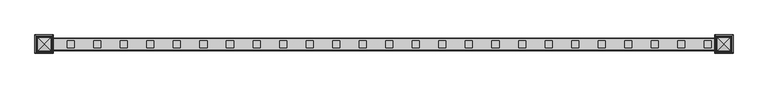
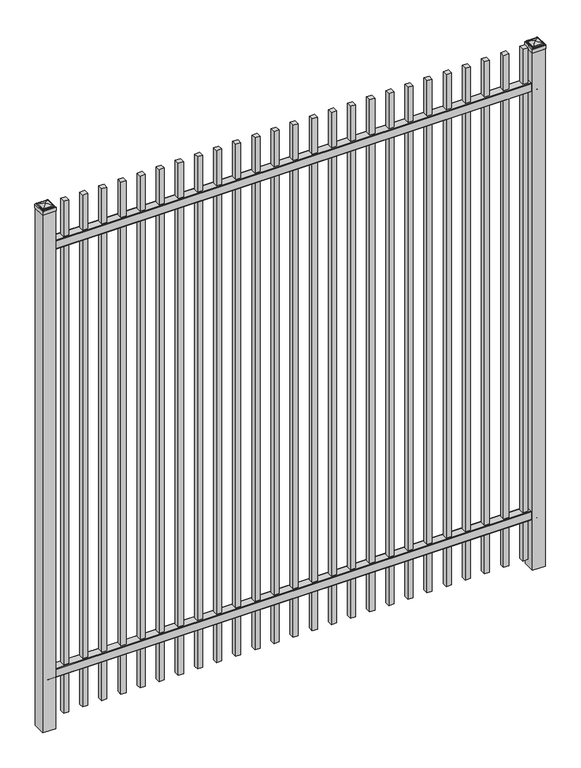
"""IFC4 building model written with IfcOpenShell, lengths in millimetres: railing geometry."""

import ifcopenshell
import ifcopenshell.guid

model = None  # the IFC model being written
_history = None  # IfcOwnerHistory: only IFC2X3 demands one
_inside = {}  # id of a spatial element -> (the spatial element, [elements in it])
_under = {}  # id of a project, library or spatial element -> (it, [spatial elements below it])
_declared = {}  # id of a project -> (the project, [libraries it declares])
_typed = {}  # id of a type object -> (the type object, [elements of that type])
_made_of = {}  # id of a material, layer set ... -> (it, [elements and type objects made of it])


def new_model(schema):
    """Start an empty IFC model of exactly this schema.

    Asked for "IFC4X3", IfcOpenShell would pick the latest addendum, in which some entities
    have other attributes; the version numbers below select the first issue.
    IFC2X3 requires an IfcOwnerHistory on every rooted entity: one is made here for all.
    """
    global model, _history
    if schema == "IFC4X3":
        model = ifcopenshell.file(schema_version=(4, 3, 0, 0))
    else:
        model = ifcopenshell.file(schema=schema)
    _inside.clear()
    _under.clear()
    _declared.clear()
    _typed.clear()
    _made_of.clear()
    _history = None
    if model.schema == "IFC2X3":
        org = make("IfcOrganization", Name="unknown")
        user = make(
            "IfcPersonAndOrganization",
            ThePerson=make("IfcPerson", FamilyName="unknown"),
            TheOrganization=org,
        )
        app = make(
            "IfcApplication",
            ApplicationDeveloper=org,
            Version="unknown",
            ApplicationFullName="unknown",
            ApplicationIdentifier="unknown",
        )
        _history = make(
            "IfcOwnerHistory",
            OwningUser=user,
            OwningApplication=app,
            ChangeAction="ADDED",
            CreationDate=0,
        )
    return model


def make(cls, **values):
    """One entity of the class cls with the attributes given. An attribute that is None is left unset."""
    return model.create_entity(
        cls, **{name: value for name, value in values.items() if value is not None}
    )


def rooted(cls, **values):
    """An entity with a GlobalId (a new one), such as an element, a storey or a relation."""
    return make(cls, GlobalId=ifcopenshell.guid.new(), OwnerHistory=_history, **values)


def si_unit(unit_type, name, prefix=None):
    """IfcSIUnit, for example si_unit("LENGTHUNIT", "METRE", prefix="MILLI")."""
    return make("IfcSIUnit", UnitType=unit_type, Prefix=prefix, Name=name)


def assignment(units):
    """IfcUnitAssignment: the units of a project."""
    return None if units is None else make("IfcUnitAssignment", Units=units)


def point(xyz):
    """IfcCartesianPoint."""
    return None if xyz is None else make("IfcCartesianPoint", Coordinates=xyz)


def direction(xyz):
    """IfcDirection."""
    return None if xyz is None else make("IfcDirection", DirectionRatios=xyz)


def frame(location, z_axis=None, x_axis=None):
    """IfcAxis2Placement3D, a coordinate frame: its origin and axes. An axis left out is left unset."""
    return make(
        "IfcAxis2Placement3D",
        Location=point(location),
        Axis=direction(z_axis),
        RefDirection=direction(x_axis),
    )


def frame_2d(location, x_axis=None):
    """IfcAxis2Placement2D, a coordinate frame in the plane: its origin and x axis."""
    return make(
        "IfcAxis2Placement2D", Location=point(location), RefDirection=direction(x_axis)
    )


def origin():
    """The frame at (0, 0, 0) with its axes left unset."""
    return frame((0.0, 0.0, 0.0))


def origin_with_axes():
    """The frame at (0, 0, 0) with the z axis (0, 0, 1) and the x axis (1, 0, 0) written out."""
    return frame((0.0, 0.0, 0.0), z_axis=(0.0, 0.0, 1.0), x_axis=(1.0, 0.0, 0.0))


def place(relative_to, where):
    """IfcLocalPlacement: puts the frame where relative to a parent placement (None: the world)."""
    return make(
        "IfcLocalPlacement", PlacementRelTo=relative_to, RelativePlacement=where
    )


def context(
    kind, dimensions, precision=None, world=None, true_north=None, identifier=None
):
    """IfcGeometricRepresentationContext, for example the 3D "Model" context."""
    return make(
        "IfcGeometricRepresentationContext",
        ContextIdentifier=identifier,
        ContextType=kind,
        CoordinateSpaceDimension=dimensions,
        Precision=precision,
        WorldCoordinateSystem=world,
        TrueNorth=true_north,
    )


def project(units=None, contexts=None):
    """IfcProject with its units and contexts."""
    return rooted(
        "IfcProject",
        Name="project",
        RepresentationContexts=contexts,
        UnitsInContext=assignment(units),
    )


def spatial(cls, under=None, at=None, **own):
    """A site, building, storey or space (cls), placed at a placement, below another one or the project."""
    s = rooted(cls, ObjectPlacement=at, **own)
    if under is not None:
        _under.setdefault(under.id(), (under, []))[1].append(s)
    return s


def polyline(points):
    """IfcPolyline through the points."""
    return make("IfcPolyline", Points=[point(p) for p in points])


def circle_curve(where, radius):
    """IfcCircle in the frame where."""
    return make("IfcCircle", Position=where, Radius=radius)


def ellipse_curve(where, semi_axis1, semi_axis2):
    """IfcEllipse in the frame where."""
    return make(
        "IfcEllipse", Position=where, SemiAxis1=semi_axis1, SemiAxis2=semi_axis2
    )


def trimmed(basis, trim1, trim2, sense, master):
    """IfcTrimmedCurve: the piece of a basis curve between two trims."""
    return make(
        "IfcTrimmedCurve",
        BasisCurve=basis,
        Trim1=trim1,
        Trim2=trim2,
        SenseAgreement=sense,
        MasterRepresentation=master,
    )


def segment(curve, same_sense, transition):
    """IfcCompositeCurveSegment."""
    return make(
        "IfcCompositeCurveSegment",
        Transition=transition,
        SameSense=same_sense,
        ParentCurve=curve,
    )


def composite_curve(segments, self_intersect=None):
    """IfcCompositeCurve: segments joined end to end."""
    return make("IfcCompositeCurve", Segments=segments, SelfIntersect=self_intersect)


def outline(outer, holes=None, kind="AREA"):
    """IfcArbitraryClosedProfileDef: a profile drawn as a closed curve; with holes, ...WithVoids."""
    if holes is None:
        return make("IfcArbitraryClosedProfileDef", ProfileType=kind, OuterCurve=outer)
    return make(
        "IfcArbitraryProfileDefWithVoids",
        ProfileType=kind,
        OuterCurve=outer,
        InnerCurves=holes,
    )


def extrude(swept, where, along, depth):
    """IfcExtrudedAreaSolid: the profile swept, set in the frame where, extruded along a direction by depth."""
    return make(
        "IfcExtrudedAreaSolid",
        SweptArea=swept,
        Position=where,
        ExtrudedDirection=direction(along),
        Depth=depth,
    )


def shape(context_of_items, identifier, shape_type, items):
    """IfcShapeRepresentation: the items that make up one representation, for example the "Body"."""
    return make(
        "IfcShapeRepresentation",
        ContextOfItems=context_of_items,
        RepresentationIdentifier=identifier,
        RepresentationType=shape_type,
        Items=items,
    )


def source(mapping_origin, context_of_items, identifier, shape_type, items):
    """IfcRepresentationMap: a shape defined once, which mapped items show again and again."""
    return make(
        "IfcRepresentationMap",
        MappingOrigin=mapping_origin,
        MappedRepresentation=shape(context_of_items, identifier, shape_type, items),
    )


def transform(
    local_origin,
    x_axis=None,
    y_axis=None,
    z_axis=None,
    scale=None,
    scale2=None,
    scale3=None,
    uniform=True,
):
    """IfcCartesianTransformationOperator3D, or its non-uniform kind. x_axis, y_axis, z_axis: its Axis1, 2, 3."""
    if uniform:
        return make(
            "IfcCartesianTransformationOperator3D",
            Axis1=direction(x_axis),
            Axis2=direction(y_axis),
            LocalOrigin=point(local_origin),
            Scale=scale,
            Axis3=direction(z_axis),
        )
    return make(
        "IfcCartesianTransformationOperator3DnonUniform",
        Axis1=direction(x_axis),
        Axis2=direction(y_axis),
        LocalOrigin=point(local_origin),
        Scale=scale,
        Axis3=direction(z_axis),
        Scale2=scale2,
        Scale3=scale3,
    )


def mapped(mapping_source, mapping_target):
    """IfcMappedItem: shows the shape of a source again, moved by a transform."""
    return make(
        "IfcMappedItem", MappingSource=mapping_source, MappingTarget=mapping_target
    )


def made_of(thing, what):
    """Note that an element or type object is made of a material, layer set ...; save() writes the relation."""
    if what is not None:
        _made_of.setdefault(what.id(), (what, []))[1].append(thing)
    return thing


def element(
    cls,
    number,
    at=None,
    inside=None,
    cuts=None,
    type_object=None,
    material=None,
    context=None,
    identifier="Body",
    shape_type=None,
    held_by="IfcProductDefinitionShape",
    body=None,
    shapes=None,
    **own,
):
    """One element of the class cls, such as IfcWall. Its Tag is "e" and its number.

    at: its placement. inside: the storey or other place that contains it. cuts: it is an
    opening in that element (IfcRelVoidsElement). A single representation is given by context,
    identifier, shape_type and body (its items); several are given by shapes. held_by: the class
    of the entity that holds the representations. save() writes the other relations.
    """
    e = rooted(cls, Tag="e%d" % number, ObjectPlacement=at, **own)
    if body is not None:
        shapes = [shape(context, identifier, shape_type, body)]
    if shapes is not None:
        e.Representation = make(held_by, Representations=shapes)
    if inside is not None:
        _inside.setdefault(inside.id(), (inside, []))[1].append(e)
    if cuts is not None:
        rooted(
            "IfcRelVoidsElement", RelatingBuildingElement=cuts, RelatedOpeningElement=e
        )
    if type_object is not None:
        _typed.setdefault(type_object.id(), (type_object, []))[1].append(e)
    return made_of(e, material)


def aggregate(whole, parts):
    """IfcRelAggregates: a whole, such as a stair, and the parts it consists of."""
    return rooted("IfcRelAggregates", RelatingObject=whole, RelatedObjects=parts)


def save(model, path):
    """Write the relations noted so far, then the file.

    IfcRelAggregates (storeys below a building ...), IfcRelContainedInSpatialStructure (elements
    in a storey), IfcRelDefinesByType, IfcRelAssociatesMaterial and IfcRelDeclares: one each for
    every whole, place, type object, material and project.
    """
    for whole, parts in _under.values():
        aggregate(whole, parts)
    for where, things in _inside.values():
        rooted(
            "IfcRelContainedInSpatialStructure",
            RelatedElements=things,
            RelatingStructure=where,
        )
    for kind, things in _typed.values():
        rooted("IfcRelDefinesByType", RelatedObjects=things, RelatingType=kind)
    for what, things in _made_of.values():
        rooted("IfcRelAssociatesMaterial", RelatedObjects=things, RelatingMaterial=what)
    for by, libraries in _declared.values():
        rooted("IfcRelDeclares", RelatingContext=by, RelatedDefinitions=libraries)
    model.write(path)


def plane_surface(at):
    """IfcPlane: the flat surface through the origin of the frame at, square to its z axis."""
    return make("IfcPlane", Position=at)


def cylinder_surface(at, radius):
    """IfcCylindricalSurface: all points at the distance radius from the z axis of the frame at."""
    return make("IfcCylindricalSurface", Position=at, Radius=radius)


def advanced_brep(points, edges, surfaces, faces):
    """IfcAdvancedBrep: a solid bounded by faces that lie on surfaces and meet in shared edges.

    An edge is (start, end): straight between two places in points (the first is 0);
    or (start, end, curve); or (start, end, curve, False) where it runs against its curve.
    A face is (place in surfaces, loops), or (place, loops, False) where it looks against
    its surface's normal. A loop lists edges by number (the first is 1), with a minus sign
    where the edge is run from its end to its start. The first loop is the outer one.
    """
    corners = [point(p) for p in points]
    vertices = [make("IfcVertexPoint", VertexGeometry=c) for c in corners]
    made = []
    for start, end, *more in edges:
        made.append(
            make(
                "IfcEdgeCurve",
                EdgeStart=vertices[start],
                EdgeEnd=vertices[end],
                EdgeGeometry=more[0] if more else make("IfcPolyline", Points=[corners[start], corners[end]]),
                SameSense=more[1] if len(more) > 1 else True,
            )
        )
    hull = []
    for where, loops, *sense in faces:
        bounds = []
        for j, loop in enumerate(loops):
            ring = [make("IfcOrientedEdge", EdgeElement=made[abs(k) - 1], Orientation=k > 0) for k in loop]
            bounds.append(
                make(
                    "IfcFaceOuterBound" if j == 0 else "IfcFaceBound",
                    Bound=make("IfcEdgeLoop", EdgeList=ring),
                    Orientation=True,
                )
            )
        hull.append(make("IfcAdvancedFace", Bounds=bounds, FaceSurface=surfaces[where], SameSense=sense[0] if sense else True))
    return make("IfcAdvancedBrep", Outer=make("IfcClosedShell", CfsFaces=hull))


def railing_1738f026(model_context):
    return source(origin(), model_context, "Body", "SolidModel", [
        extrude(outline(composite_curve([segment(polyline([(5777.9139761, 304.8), (5815.969541, 304.8)]), True, "CONTINUOUS"), segment(trimmed(circle_curve(frame_2d((5815.969541, 301.625)), 3.175), [point((5815.969541, 304.8))], [point((5819.144541, 301.625))], False, "CARTESIAN"), True, "CONTINUOUS"), segment(polyline([(5819.144541, 301.625), (5819.144541, 262.1439893)]), True, "CONTINUOUS"), segment(trimmed(circle_curve(frame_2d((5817.3505518, 262.1439893)), 1.7939893), [point((5819.144541, 262.1439893))], [point((5817.3505518, 260.35))], False, "CARTESIAN"), True, "CONTINUOUS"), segment(polyline([(5817.3505518, 260.35), (5814.7590713, 260.35)]), True, "CONTINUOUS"), segment(trimmed(circle_curve(frame_2d((5814.7590713, 262.1359375)), 1.7859375), [point((5814.7590713, 260.35))], [point((5812.9755813, 262.0424688))], False, "CARTESIAN"), True, "CONTINUOUS"), segment(polyline([(5812.9755813, 262.0424688), (5811.4025867, 292.0569942), (5782.4364954, 292.0569942), (5780.8635007, 262.0424688)]), True, "CONTINUOUS"), segment(trimmed(circle_curve(frame_2d((5779.0800108, 262.1359375)), 1.7859375), [point((5780.8635007, 262.0424688))], [point((5779.0800108, 260.35))], False, "CARTESIAN"), True, "CONTINUOUS"), segment(polyline([(5779.0800108, 260.35), (5776.4804785, 260.35)]), True, "CONTINUOUS"), segment(trimmed(circle_curve(frame_2d((5776.4804785, 262.1359375)), 1.7859375), [point((5776.4804785, 260.35))], [point((5774.694541, 262.1359375))], False, "CARTESIAN"), True, "CONTINUOUS"), segment(polyline([(5774.694541, 262.1359375), (5774.694541, 301.5805649)]), True, "CONTINUOUS"), segment(trimmed(circle_curve(frame_2d((5777.9139761, 301.5805649)), 3.2194351), [point((5774.694541, 301.5805649))], [point((5777.9139761, 304.8))], False, "CARTESIAN"), True, "CONTINUOUS")], self_intersect=False)), frame((2341.3350064, 0.0, 0.0), z_axis=(1.0, 0.0, 0.0), x_axis=(0.0, 1.0, 0.0)), (0.0, 0.0, 1.0), 2438.4),
        extrude(outline(composite_curve([segment(polyline([(5777.9139761, 2557.4625), (5815.969541, 2557.4625)]), True, "CONTINUOUS"), segment(trimmed(circle_curve(frame_2d((5815.969541, 2554.2875)), 3.175), [point((5815.969541, 2557.4625))], [point((5819.144541, 2554.2875))], False, "CARTESIAN"), True, "CONTINUOUS"), segment(polyline([(5819.144541, 2554.2875), (5819.144541, 2514.8064893)]), True, "CONTINUOUS"), segment(trimmed(circle_curve(frame_2d((5817.3505518, 2514.8064893)), 1.7939893), [point((5819.144541, 2514.8064893))], [point((5817.3505518, 2513.0125))], False, "CARTESIAN"), True, "CONTINUOUS"), segment(polyline([(5817.3505518, 2513.0125), (5814.7590713, 2513.0125)]), True, "CONTINUOUS"), segment(trimmed(circle_curve(frame_2d((5814.7590713, 2514.7984375)), 1.7859375), [point((5814.7590713, 2513.0125))], [point((5812.9755813, 2514.7049688))], False, "CARTESIAN"), True, "CONTINUOUS"), segment(polyline([(5812.9755813, 2514.7049688), (5811.4025867, 2544.7194942), (5782.4364954, 2544.7194942), (5780.8635007, 2514.7049688)]), True, "CONTINUOUS"), segment(trimmed(circle_curve(frame_2d((5779.0800108, 2514.7984375)), 1.7859375), [point((5780.8635007, 2514.7049688))], [point((5779.0800108, 2513.0125))], False, "CARTESIAN"), True, "CONTINUOUS"), segment(polyline([(5779.0800108, 2513.0125), (5776.4804785, 2513.0125)]), True, "CONTINUOUS"), segment(trimmed(circle_curve(frame_2d((5776.4804785, 2514.7984375)), 1.7859375), [point((5776.4804785, 2513.0125))], [point((5774.694541, 2514.7984375))], False, "CARTESIAN"), True, "CONTINUOUS"), segment(polyline([(5774.694541, 2514.7984375), (5774.694541, 2554.2430649)]), True, "CONTINUOUS"), segment(trimmed(circle_curve(frame_2d((5777.9139761, 2554.2430649)), 3.2194351), [point((5774.694541, 2554.2430649))], [point((5777.9139761, 2557.4625))], False, "CARTESIAN"), True, "CONTINUOUS")], self_intersect=False)), frame((2341.3350064, 0.0, 0.0), z_axis=(1.0, 0.0, 0.0), x_axis=(0.0, 1.0, 0.0)), (0.0, 0.0, 1.0), 2438.4),
        extrude(outline(polyline([(4709.8850064, 5809.619541), (4735.2850064, 5809.619541), (4735.2850064, 5784.219541), (4709.8850064, 5784.219541), (4709.8850064, 5809.619541)])), frame((0.0, 0.0, 50.8), z_axis=(0.0, 0.0, 1.0), x_axis=(1.0, 0.0, 0.0)), (0.0, 0.0, 1.0), 2692.4),
        extrude(outline(polyline([(4614.6350064, 5809.619541), (4640.0350064, 5809.619541), (4640.0350064, 5784.219541), (4614.6350064, 5784.219541), (4614.6350064, 5809.619541)])), frame((0.0, 0.0, 50.8), z_axis=(0.0, 0.0, 1.0), x_axis=(1.0, 0.0, 0.0)), (0.0, 0.0, 1.0), 2692.4),
        extrude(outline(polyline([(4519.3850064, 5809.619541), (4544.7850064, 5809.619541), (4544.7850064, 5784.219541), (4519.3850064, 5784.219541), (4519.3850064, 5809.619541)])), frame((0.0, 0.0, 50.8), z_axis=(0.0, 0.0, 1.0), x_axis=(1.0, 0.0, 0.0)), (0.0, 0.0, 1.0), 2692.4),
        extrude(outline(polyline([(4424.1350064, 5809.619541), (4449.5350064, 5809.619541), (4449.5350064, 5784.219541), (4424.1350064, 5784.219541), (4424.1350064, 5809.619541)])), frame((0.0, 0.0, 50.8), z_axis=(0.0, 0.0, 1.0), x_axis=(1.0, 0.0, 0.0)), (0.0, 0.0, 1.0), 2692.4),
        extrude(outline(polyline([(4328.8850064, 5809.619541), (4354.2850064, 5809.619541), (4354.2850064, 5784.219541), (4328.8850064, 5784.219541), (4328.8850064, 5809.619541)])), frame((0.0, 0.0, 50.8), z_axis=(0.0, 0.0, 1.0), x_axis=(1.0, 0.0, 0.0)), (0.0, 0.0, 1.0), 2692.4),
        extrude(outline(polyline([(4233.6350064, 5809.619541), (4259.0350064, 5809.619541), (4259.0350064, 5784.219541), (4233.6350064, 5784.219541), (4233.6350064, 5809.619541)])), frame((0.0, 0.0, 50.8), z_axis=(0.0, 0.0, 1.0), x_axis=(1.0, 0.0, 0.0)), (0.0, 0.0, 1.0), 2692.4),
        extrude(outline(polyline([(4138.3850064, 5809.619541), (4163.7850064, 5809.619541), (4163.7850064, 5784.219541), (4138.3850064, 5784.219541), (4138.3850064, 5809.619541)])), frame((0.0, 0.0, 50.8), z_axis=(0.0, 0.0, 1.0), x_axis=(1.0, 0.0, 0.0)), (0.0, 0.0, 1.0), 2692.4),
        extrude(outline(polyline([(4043.1350064, 5809.619541), (4068.5350064, 5809.619541), (4068.5350064, 5784.219541), (4043.1350064, 5784.219541), (4043.1350064, 5809.619541)])), frame((0.0, 0.0, 50.8), z_axis=(0.0, 0.0, 1.0), x_axis=(1.0, 0.0, 0.0)), (0.0, 0.0, 1.0), 2692.4),
        extrude(outline(polyline([(3947.8850064, 5809.619541), (3973.2850064, 5809.619541), (3973.2850064, 5784.219541), (3947.8850064, 5784.219541), (3947.8850064, 5809.619541)])), frame((0.0, 0.0, 50.8), z_axis=(0.0, 0.0, 1.0), x_axis=(1.0, 0.0, 0.0)), (0.0, 0.0, 1.0), 2692.4),
        extrude(outline(polyline([(3852.6350064, 5809.619541), (3878.0350064, 5809.619541), (3878.0350064, 5784.219541), (3852.6350064, 5784.219541), (3852.6350064, 5809.619541)])), frame((0.0, 0.0, 50.8), z_axis=(0.0, 0.0, 1.0), x_axis=(1.0, 0.0, 0.0)), (0.0, 0.0, 1.0), 2692.4),
        extrude(outline(polyline([(3757.3850064, 5809.619541), (3782.7850064, 5809.619541), (3782.7850064, 5784.219541), (3757.3850064, 5784.219541), (3757.3850064, 5809.619541)])), frame((0.0, 0.0, 50.8), z_axis=(0.0, 0.0, 1.0), x_axis=(1.0, 0.0, 0.0)), (0.0, 0.0, 1.0), 2692.4),
        extrude(outline(polyline([(3662.1350064, 5809.619541), (3687.5350064, 5809.619541), (3687.5350064, 5784.219541), (3662.1350064, 5784.219541), (3662.1350064, 5809.619541)])), frame((0.0, 0.0, 50.8), z_axis=(0.0, 0.0, 1.0), x_axis=(1.0, 0.0, 0.0)), (0.0, 0.0, 1.0), 2692.4),
        extrude(outline(polyline([(3566.8850064, 5809.619541), (3592.2850064, 5809.619541), (3592.2850064, 5784.219541), (3566.8850064, 5784.219541), (3566.8850064, 5809.619541)])), frame((0.0, 0.0, 50.8), z_axis=(0.0, 0.0, 1.0), x_axis=(1.0, 0.0, 0.0)), (0.0, 0.0, 1.0), 2692.4),
        extrude(outline(polyline([(3471.6350064, 5809.619541), (3497.0350064, 5809.619541), (3497.0350064, 5784.219541), (3471.6350064, 5784.219541), (3471.6350064, 5809.619541)])), frame((0.0, 0.0, 50.8), z_axis=(0.0, 0.0, 1.0), x_axis=(1.0, 0.0, 0.0)), (0.0, 0.0, 1.0), 2692.4),
        extrude(outline(polyline([(3376.3850064, 5809.619541), (3401.7850064, 5809.619541), (3401.7850064, 5784.219541), (3376.3850064, 5784.219541), (3376.3850064, 5809.619541)])), frame((0.0, 0.0, 50.8), z_axis=(0.0, 0.0, 1.0), x_axis=(1.0, 0.0, 0.0)), (0.0, 0.0, 1.0), 2692.4),
        extrude(outline(polyline([(3281.1350064, 5809.619541), (3306.5350064, 5809.619541), (3306.5350064, 5784.219541), (3281.1350064, 5784.219541), (3281.1350064, 5809.619541)])), frame((0.0, 0.0, 50.8), z_axis=(0.0, 0.0, 1.0), x_axis=(1.0, 0.0, 0.0)), (0.0, 0.0, 1.0), 2692.4),
        extrude(outline(polyline([(3185.8850064, 5809.619541), (3211.2850064, 5809.619541), (3211.2850064, 5784.219541), (3185.8850064, 5784.219541), (3185.8850064, 5809.619541)])), frame((0.0, 0.0, 50.8), z_axis=(0.0, 0.0, 1.0), x_axis=(1.0, 0.0, 0.0)), (0.0, 0.0, 1.0), 2692.4),
        extrude(outline(polyline([(3090.6350064, 5809.619541), (3116.0350064, 5809.619541), (3116.0350064, 5784.219541), (3090.6350064, 5784.219541), (3090.6350064, 5809.619541)])), frame((0.0, 0.0, 50.8), z_axis=(0.0, 0.0, 1.0), x_axis=(1.0, 0.0, 0.0)), (0.0, 0.0, 1.0), 2692.4),
        extrude(outline(polyline([(2995.3850064, 5809.619541), (3020.7850064, 5809.619541), (3020.7850064, 5784.219541), (2995.3850064, 5784.219541), (2995.3850064, 5809.619541)])), frame((0.0, 0.0, 50.8), z_axis=(0.0, 0.0, 1.0), x_axis=(1.0, 0.0, 0.0)), (0.0, 0.0, 1.0), 2692.4),
        extrude(outline(polyline([(2900.1350064, 5809.619541), (2925.5350064, 5809.619541), (2925.5350064, 5784.219541), (2900.1350064, 5784.219541), (2900.1350064, 5809.619541)])), frame((0.0, 0.0, 50.8), z_axis=(0.0, 0.0, 1.0), x_axis=(1.0, 0.0, 0.0)), (0.0, 0.0, 1.0), 2692.4),
        extrude(outline(polyline([(2804.8850064, 5809.619541), (2830.2850064, 5809.619541), (2830.2850064, 5784.219541), (2804.8850064, 5784.219541), (2804.8850064, 5809.619541)])), frame((0.0, 0.0, 50.8), z_axis=(0.0, 0.0, 1.0), x_axis=(1.0, 0.0, 0.0)), (0.0, 0.0, 1.0), 2692.4),
        extrude(outline(polyline([(2709.6350064, 5809.619541), (2735.0350064, 5809.619541), (2735.0350064, 5784.219541), (2709.6350064, 5784.219541), (2709.6350064, 5809.619541)])), frame((0.0, 0.0, 50.8), z_axis=(0.0, 0.0, 1.0), x_axis=(1.0, 0.0, 0.0)), (0.0, 0.0, 1.0), 2692.4),
        extrude(outline(polyline([(2614.3850064, 5809.619541), (2639.7850064, 5809.619541), (2639.7850064, 5784.219541), (2614.3850064, 5784.219541), (2614.3850064, 5809.619541)])), frame((0.0, 0.0, 50.8), z_axis=(0.0, 0.0, 1.0), x_axis=(1.0, 0.0, 0.0)), (0.0, 0.0, 1.0), 2692.4),
        extrude(outline(polyline([(2519.1350064, 5809.619541), (2544.5350064, 5809.619541), (2544.5350064, 5784.219541), (2519.1350064, 5784.219541), (2519.1350064, 5809.619541)])), frame((0.0, 0.0, 50.8), z_axis=(0.0, 0.0, 1.0), x_axis=(1.0, 0.0, 0.0)), (0.0, 0.0, 1.0), 2692.4),
        extrude(outline(polyline([(2423.8850064, 5809.619541), (2449.2850064, 5809.619541), (2449.2850064, 5784.219541), (2423.8850064, 5784.219541), (2423.8850064, 5809.619541)])), frame((0.0, 0.0, 50.8), z_axis=(0.0, 0.0, 1.0), x_axis=(1.0, 0.0, 0.0)), (0.0, 0.0, 1.0), 2692.4),
        extrude(outline(polyline([(4811.4850064, 5828.669541), (4811.4850064, 5765.169541), (4747.9850064, 5765.169541), (4747.9850064, 5828.669541), (4811.4850064, 5828.669541)])), origin_with_axes(), (0.0, 0.0, 1.0), 2722.5625),
        advanced_brep(
        [(4746.3975064, 5830.257041, 2740.81875), (4746.3975064, 5830.257041, 2722.5625), (4746.3975064, 5763.582041, 2722.5625), (4746.3975064, 5763.582041, 2740.81875), (4748.7787564, 5827.875791, 2743.2), (4748.7787564, 5765.963291, 2743.2), (4751.1600064, 5825.494541, 2745.58125), (4751.1600064, 5825.494541, 2743.2), (4751.1600064, 5768.344541, 2743.2), (4751.1600064, 5768.344541, 2745.58125), (4753.5412564, 5823.113291, 2747.9625), (4753.5412564, 5770.725791, 2747.9625), (4779.7350064, 5796.919541, 2754.3125), (4755.9225064, 5820.732041, 2747.9625), (4755.9225064, 5773.107041, 2747.9625), (4813.0725064, 5763.582041, 2722.5625), (4813.0725064, 5763.582041, 2740.81875), (4810.6912564, 5765.963291, 2743.2), (4808.3100064, 5768.344541, 2743.2), (4808.3100064, 5768.344541, 2745.58125), (4805.9287564, 5770.725791, 2747.9625), (4803.5475064, 5773.107041, 2747.9625), (4813.0725064, 5830.257041, 2722.5625), (4813.0725064, 5830.257041, 2740.81875), (4810.6912564, 5827.875791, 2743.2), (4808.3100064, 5825.494541, 2743.2), (4808.3100064, 5825.494541, 2745.58125), (4805.9287564, 5823.113291, 2747.9625), (4803.5475064, 5820.732041, 2747.9625)],
        [
            (0, 1),
            (1, 2),
            (2, 3),
            (3, 0),
            (4, 0, ellipse_curve(frame((4748.7787564, 5827.875791, 2740.81875), z_axis=(-0.70710678118655, -0.7071067811865449, 0.0), x_axis=(-0.7071067811865448, 0.7071067811865501, 0.0)), 3.367596, 2.38125)),
            (3, 5, ellipse_curve(frame((4748.7787564, 5765.963291, 2740.81875), z_axis=(-0.7071067811865449, 0.70710678118655, 0.0), x_axis=(0.7071067811865499, 0.707106781186545, 0.0)), 3.367596, 2.38125)),
            (5, 4),
            (6, 7),
            (7, 8),
            (8, 9),
            (9, 6),
            (10, 6, ellipse_curve(frame((4753.5412564, 5823.113291, 2745.58125), z_axis=(-0.70710678118655, -0.7071067811865449, 0.0), x_axis=(-0.7071067811865448, 0.7071067811865501, 0.0)), 3.367596, 2.38125)),
            (9, 11, ellipse_curve(frame((4753.5412564, 5770.725791, 2745.58125), z_axis=(-0.7071067811865449, 0.70710678118655, 0.0), x_axis=(0.7071067811865499, 0.707106781186545, 0.0)), 3.367596, 2.38125)),
            (11, 10),
            (12, 13, ellipse_curve(frame((4779.7350064, 5796.919541, 2706.4890625), z_axis=(-0.70710678118655, -0.7071067811865449, 0.0), x_axis=(-0.7071067811865448, 0.7071067811865501, 0.0)), 67.6325539, 47.8234375)),
            (13, 14),
            (14, 12, ellipse_curve(frame((4779.7350064, 5796.919541, 2706.4890625), z_axis=(-0.7071067811865449, 0.70710678118655, 0.0), x_axis=(0.7071067811865499, 0.707106781186545, 0.0)), 67.6325539, 47.8234375)),
            (2, 15),
            (15, 16),
            (16, 3),
            (16, 17, ellipse_curve(frame((4810.6912564, 5765.963291, 2740.81875), z_axis=(-0.70710678118655, -0.707106781186545, 0.0), x_axis=(-0.707106781186545, 0.70710678118655, 0.0)), 3.367596, 2.38125)),
            (17, 5),
            (8, 18),
            (18, 19),
            (19, 9),
            (19, 20, ellipse_curve(frame((4805.9287564, 5770.725791, 2745.58125), z_axis=(-0.70710678118655, -0.707106781186545, 0.0), x_axis=(-0.707106781186545, 0.70710678118655, 0.0)), 3.367596, 2.38125)),
            (20, 11),
            (14, 21),
            (21, 12, ellipse_curve(frame((4779.7350064, 5796.919541, 2706.4890625), z_axis=(-0.70710678118655, -0.707106781186545, 0.0), x_axis=(-0.707106781186545, 0.70710678118655, 0.0)), 67.6325539, 47.8234375)),
            (15, 22),
            (22, 23),
            (23, 16),
            (23, 24, ellipse_curve(frame((4810.6912564, 5827.875791, 2740.81875), z_axis=(0.707106781186545, -0.7071067811865499, 0.0), x_axis=(-0.7071067811865497, -0.7071067811865452, 0.0)), 3.367596, 2.38125)),
            (24, 17),
            (18, 25),
            (25, 26),
            (26, 19),
            (26, 27, ellipse_curve(frame((4805.9287564, 5823.113291, 2745.58125), z_axis=(0.707106781186545, -0.7071067811865499, 0.0), x_axis=(-0.7071067811865497, -0.7071067811865452, 0.0)), 3.367596, 2.38125)),
            (27, 20),
            (21, 28),
            (28, 12, ellipse_curve(frame((4779.7350064, 5796.919541, 2706.4890625), z_axis=(0.707106781186545, -0.7071067811865499, 0.0), x_axis=(-0.7071067811865497, -0.7071067811865452, 0.0)), 67.6325539, 47.8234375)),
            (22, 1),
            (0, 23),
            (4, 24),
            (7, 25),
            (6, 26),
            (10, 27),
            (13, 28),
        ],
        [
            plane_surface(frame((4746.3975064, 5830.257041, 2722.5625), z_axis=(-1.0, 0.0, 0.0), x_axis=(0.0, -1.0, 0.0))),
            cylinder_surface(frame((4748.7787564, 5828.669541, 2740.81875), z_axis=(0.0, 1.0, 0.0), x_axis=(1.0, 0.0, 0.0)), 2.38125),
            plane_surface(frame((4751.1600064, 5825.494541, 2743.2), z_axis=(-1.0, 0.0, 0.0), x_axis=(0.0, -1.0, 0.0))),
            cylinder_surface(frame((4753.5412564, 5828.669541, 2745.58125), z_axis=(0.0, 1.0, 0.0), x_axis=(1.0, 0.0, 0.0)), 2.38125),
            cylinder_surface(frame((4779.7350064, 5828.669541, 2706.4890625), z_axis=(0.0, 1.0, 0.0), x_axis=(1.0, 0.0, 0.0)), 47.8234375),
            plane_surface(frame((4746.3975064, 5763.582041, 2722.5625), z_axis=(0.0, -1.0, 0.0), x_axis=(1.0, 0.0, 0.0))),
            cylinder_surface(frame((4747.9850064, 5765.963291, 2740.81875), z_axis=(-1.0, 0.0, 0.0), x_axis=(0.0, 1.0, 0.0)), 2.38125),
            plane_surface(frame((4751.1600064, 5768.344541, 2743.2), z_axis=(0.0, -1.0, 0.0), x_axis=(1.0, 0.0, 0.0))),
            cylinder_surface(frame((4747.9850064, 5770.725791, 2745.58125), z_axis=(-1.0, 0.0, 0.0), x_axis=(0.0, 1.0, 0.0)), 2.38125),
            cylinder_surface(frame((4747.9850064, 5796.919541, 2706.4890625), z_axis=(-1.0, 0.0, 0.0), x_axis=(0.0, 1.0, 0.0)), 47.8234375),
            plane_surface(frame((4813.0725064, 5763.582041, 2722.5625), z_axis=(1.0, 0.0, 0.0), x_axis=(0.0, 1.0, 0.0))),
            cylinder_surface(frame((4810.6912564, 5765.169541, 2740.81875), z_axis=(0.0, -1.0, 0.0), x_axis=(-1.0, 0.0, 0.0)), 2.38125),
            plane_surface(frame((4808.3100064, 5768.344541, 2743.2), z_axis=(1.0, 0.0, 0.0), x_axis=(0.0, 1.0, 0.0))),
            cylinder_surface(frame((4805.9287564, 5765.169541, 2745.58125), z_axis=(0.0, -1.0, 0.0), x_axis=(-1.0, 0.0, 0.0)), 2.38125),
            cylinder_surface(frame((4779.7350064, 5765.169541, 2706.4890625), z_axis=(0.0, -1.0, 0.0), x_axis=(-1.0, 0.0, 0.0)), 47.8234375),
            plane_surface(frame((4813.0725064, 5830.257041, 2722.5625), z_axis=(0.0, 1.0, 0.0), x_axis=(-1.0, 0.0, 0.0))),
            cylinder_surface(frame((4811.4850064, 5827.875791, 2740.81875), z_axis=(1.0, 0.0, 0.0), x_axis=(0.0, -1.0, 0.0)), 2.38125),
            plane_surface(frame((4810.6912564, 5827.875791, 2743.2), z_axis=(0.0, 0.0, 1.0), x_axis=(-1.0, 0.0, 0.0))),
            plane_surface(frame((4808.3100064, 5825.494541, 2743.2), z_axis=(0.0, 1.0, 0.0), x_axis=(-1.0, 0.0, 0.0))),
            cylinder_surface(frame((4811.4850064, 5823.113291, 2745.58125), z_axis=(1.0, 0.0, 0.0), x_axis=(0.0, -1.0, 0.0)), 2.38125),
            plane_surface(frame((4805.9287564, 5823.113291, 2747.9625), z_axis=(0.0, 0.0, 1.0), x_axis=(-1.0, 0.0, 0.0))),
            cylinder_surface(frame((4811.4850064, 5796.919541, 2706.4890625), z_axis=(1.0, 0.0, 0.0), x_axis=(0.0, -1.0, 0.0)), 47.8234375),
            plane_surface(frame((4779.7350064, 5796.919541, 2722.5625), z_axis=(0.0, 0.0, -1.0), x_axis=(-1.0, 0.0, 0.0))),
        ],
        [
            (0, [[1, 2, 3, 4]]),
            (1, [[5, -4, 6, 7]]),
            (2, [[8, 9, 10, 11]]),
            (3, [[12, -11, 13, 14]]),
            (4, [[15, 16, 17]]),
            (5, [[-3, 18, 19, 20]]),
            (6, [[-6, -20, 21, 22]]),
            (7, [[-10, 23, 24, 25]]),
            (8, [[-13, -25, 26, 27]]),
            (9, [[-17, 28, 29]]),
            (10, [[-19, 30, 31, 32]]),
            (11, [[-21, -32, 33, 34]]),
            (12, [[-24, 35, 36, 37]]),
            (13, [[-26, -37, 38, 39]]),
            (14, [[-29, 40, 41]]),
            (15, [[-31, 42, -1, 43]]),
            (16, [[-33, -43, -5, 44]]),
            (17, [[-22, -34, -44, -7], [45, -35, -23, -9]]),
            (18, [[-36, -45, -8, 46]]),
            (19, [[-38, -46, -12, 47]]),
            (20, [[-27, -39, -47, -14], [48, -40, -28, -16]]),
            (21, [[-41, -48, -15]]),
            (22, [[-42, -30, -18, -2]]),
        ],
    ),
        extrude(outline(polyline([(2373.0850064, 5828.669541), (2373.0850064, 5765.169541), (2309.5850064, 5765.169541), (2309.5850064, 5828.669541), (2373.0850064, 5828.669541)])), origin_with_axes(), (0.0, 0.0, 1.0), 2722.5625),
        advanced_brep(
        [(2307.9975064, 5830.257041, 2740.81875), (2307.9975064, 5830.257041, 2722.5625), (2307.9975064, 5763.582041, 2722.5625), (2307.9975064, 5763.582041, 2740.81875), (2310.3787564, 5827.875791, 2743.2), (2310.3787564, 5765.963291, 2743.2), (2312.7600064, 5825.494541, 2745.58125), (2312.7600064, 5825.494541, 2743.2), (2312.7600064, 5768.344541, 2743.2), (2312.7600064, 5768.344541, 2745.58125), (2315.1412564, 5823.113291, 2747.9625), (2315.1412564, 5770.725791, 2747.9625), (2341.3350064, 5796.919541, 2754.3125), (2317.5225064, 5820.732041, 2747.9625), (2317.5225064, 5773.107041, 2747.9625), (2374.6725064, 5763.582041, 2722.5625), (2374.6725064, 5763.582041, 2740.81875), (2372.2912564, 5765.963291, 2743.2), (2369.9100064, 5768.344541, 2743.2), (2369.9100064, 5768.344541, 2745.58125), (2367.5287564, 5770.725791, 2747.9625), (2365.1475064, 5773.107041, 2747.9625), (2374.6725064, 5830.257041, 2722.5625), (2374.6725064, 5830.257041, 2740.81875), (2372.2912564, 5827.875791, 2743.2), (2369.9100064, 5825.494541, 2743.2), (2369.9100064, 5825.494541, 2745.58125), (2367.5287564, 5823.113291, 2747.9625), (2365.1475064, 5820.732041, 2747.9625)],
        [
            (0, 1),
            (1, 2),
            (2, 3),
            (3, 0),
            (4, 0, ellipse_curve(frame((2310.3787564, 5827.875791, 2740.81875), z_axis=(-0.70710678118655, -0.7071067811865449, 0.0), x_axis=(-0.7071067811865448, 0.7071067811865501, 0.0)), 3.367596, 2.38125)),
            (3, 5, ellipse_curve(frame((2310.3787564, 5765.963291, 2740.81875), z_axis=(-0.7071067811865449, 0.70710678118655, 0.0), x_axis=(0.7071067811865499, 0.707106781186545, 0.0)), 3.367596, 2.38125)),
            (5, 4),
            (6, 7),
            (7, 8),
            (8, 9),
            (9, 6),
            (10, 6, ellipse_curve(frame((2315.1412564, 5823.113291, 2745.58125), z_axis=(-0.70710678118655, -0.7071067811865449, 0.0), x_axis=(-0.7071067811865448, 0.7071067811865501, 0.0)), 3.367596, 2.38125)),
            (9, 11, ellipse_curve(frame((2315.1412564, 5770.725791, 2745.58125), z_axis=(-0.7071067811865449, 0.70710678118655, 0.0), x_axis=(0.7071067811865499, 0.707106781186545, 0.0)), 3.367596, 2.38125)),
            (11, 10),
            (12, 13, ellipse_curve(frame((2341.3350064, 5796.919541, 2706.4890625), z_axis=(-0.70710678118655, -0.7071067811865449, 0.0), x_axis=(-0.7071067811865448, 0.7071067811865501, 0.0)), 67.6325539, 47.8234375)),
            (13, 14),
            (14, 12, ellipse_curve(frame((2341.3350064, 5796.919541, 2706.4890625), z_axis=(-0.7071067811865449, 0.70710678118655, 0.0), x_axis=(0.7071067811865499, 0.707106781186545, 0.0)), 67.6325539, 47.8234375)),
            (2, 15),
            (15, 16),
            (16, 3),
            (16, 17, ellipse_curve(frame((2372.2912564, 5765.963291, 2740.81875), z_axis=(-0.70710678118655, -0.707106781186545, 0.0), x_axis=(-0.707106781186545, 0.70710678118655, 0.0)), 3.367596, 2.38125)),
            (17, 5),
            (8, 18),
            (18, 19),
            (19, 9),
            (19, 20, ellipse_curve(frame((2367.5287564, 5770.725791, 2745.58125), z_axis=(-0.70710678118655, -0.707106781186545, 0.0), x_axis=(-0.707106781186545, 0.70710678118655, 0.0)), 3.367596, 2.38125)),
            (20, 11),
            (14, 21),
            (21, 12, ellipse_curve(frame((2341.3350064, 5796.919541, 2706.4890625), z_axis=(-0.70710678118655, -0.707106781186545, 0.0), x_axis=(-0.707106781186545, 0.70710678118655, 0.0)), 67.6325539, 47.8234375)),
            (15, 22),
            (22, 23),
            (23, 16),
            (23, 24, ellipse_curve(frame((2372.2912564, 5827.875791, 2740.81875), z_axis=(0.707106781186545, -0.7071067811865499, 0.0), x_axis=(-0.7071067811865497, -0.7071067811865452, 0.0)), 3.367596, 2.38125)),
            (24, 17),
            (18, 25),
            (25, 26),
            (26, 19),
            (26, 27, ellipse_curve(frame((2367.5287564, 5823.113291, 2745.58125), z_axis=(0.707106781186545, -0.7071067811865499, 0.0), x_axis=(-0.7071067811865497, -0.7071067811865452, 0.0)), 3.367596, 2.38125)),
            (27, 20),
            (21, 28),
            (28, 12, ellipse_curve(frame((2341.3350064, 5796.919541, 2706.4890625), z_axis=(0.707106781186545, -0.7071067811865499, 0.0), x_axis=(-0.7071067811865497, -0.7071067811865452, 0.0)), 67.6325539, 47.8234375)),
            (22, 1),
            (0, 23),
            (4, 24),
            (7, 25),
            (6, 26),
            (10, 27),
            (13, 28),
        ],
        [
            plane_surface(frame((2307.9975064, 5830.257041, 2722.5625), z_axis=(-1.0, 0.0, 0.0), x_axis=(0.0, -1.0, 0.0))),
            cylinder_surface(frame((2310.3787564, 5828.669541, 2740.81875), z_axis=(0.0, 1.0, 0.0), x_axis=(1.0, 0.0, 0.0)), 2.38125),
            plane_surface(frame((2312.7600064, 5825.494541, 2743.2), z_axis=(-1.0, 0.0, 0.0), x_axis=(0.0, -1.0, 0.0))),
            cylinder_surface(frame((2315.1412564, 5828.669541, 2745.58125), z_axis=(0.0, 1.0, 0.0), x_axis=(1.0, 0.0, 0.0)), 2.38125),
            cylinder_surface(frame((2341.3350064, 5828.669541, 2706.4890625), z_axis=(0.0, 1.0, 0.0), x_axis=(1.0, 0.0, 0.0)), 47.8234375),
            plane_surface(frame((2307.9975064, 5763.582041, 2722.5625), z_axis=(0.0, -1.0, 0.0), x_axis=(1.0, 0.0, 0.0))),
            cylinder_surface(frame((2309.5850064, 5765.963291, 2740.81875), z_axis=(-1.0, 0.0, 0.0), x_axis=(0.0, 1.0, 0.0)), 2.38125),
            plane_surface(frame((2312.7600064, 5768.344541, 2743.2), z_axis=(0.0, -1.0, 0.0), x_axis=(1.0, 0.0, 0.0))),
            cylinder_surface(frame((2309.5850064, 5770.725791, 2745.58125), z_axis=(-1.0, 0.0, 0.0), x_axis=(0.0, 1.0, 0.0)), 2.38125),
            cylinder_surface(frame((2309.5850064, 5796.919541, 2706.4890625), z_axis=(-1.0, 0.0, 0.0), x_axis=(0.0, 1.0, 0.0)), 47.8234375),
            plane_surface(frame((2374.6725064, 5763.582041, 2722.5625), z_axis=(1.0, 0.0, 0.0), x_axis=(0.0, 1.0, 0.0))),
            cylinder_surface(frame((2372.2912564, 5765.169541, 2740.81875), z_axis=(0.0, -1.0, 0.0), x_axis=(-1.0, 0.0, 0.0)), 2.38125),
            plane_surface(frame((2369.9100064, 5768.344541, 2743.2), z_axis=(1.0, 0.0, 0.0), x_axis=(0.0, 1.0, 0.0))),
            cylinder_surface(frame((2367.5287564, 5765.169541, 2745.58125), z_axis=(0.0, -1.0, 0.0), x_axis=(-1.0, 0.0, 0.0)), 2.38125),
            cylinder_surface(frame((2341.3350064, 5765.169541, 2706.4890625), z_axis=(0.0, -1.0, 0.0), x_axis=(-1.0, 0.0, 0.0)), 47.8234375),
            plane_surface(frame((2374.6725064, 5830.257041, 2722.5625), z_axis=(0.0, 1.0, 0.0), x_axis=(-1.0, 0.0, 0.0))),
            cylinder_surface(frame((2373.0850064, 5827.875791, 2740.81875), z_axis=(1.0, 0.0, 0.0), x_axis=(0.0, -1.0, 0.0)), 2.38125),
            plane_surface(frame((2372.2912564, 5827.875791, 2743.2), z_axis=(0.0, 0.0, 1.0), x_axis=(-1.0, 0.0, 0.0))),
            plane_surface(frame((2369.9100064, 5825.494541, 2743.2), z_axis=(0.0, 1.0, 0.0), x_axis=(-1.0, 0.0, 0.0))),
            cylinder_surface(frame((2373.0850064, 5823.113291, 2745.58125), z_axis=(1.0, 0.0, 0.0), x_axis=(0.0, -1.0, 0.0)), 2.38125),
            plane_surface(frame((2367.5287564, 5823.113291, 2747.9625), z_axis=(0.0, 0.0, 1.0), x_axis=(-1.0, 0.0, 0.0))),
            cylinder_surface(frame((2373.0850064, 5796.919541, 2706.4890625), z_axis=(1.0, 0.0, 0.0), x_axis=(0.0, -1.0, 0.0)), 47.8234375),
            plane_surface(frame((2341.3350064, 5796.919541, 2722.5625), z_axis=(0.0, 0.0, -1.0), x_axis=(-1.0, 0.0, 0.0))),
        ],
        [
            (0, [[1, 2, 3, 4]]),
            (1, [[5, -4, 6, 7]]),
            (2, [[8, 9, 10, 11]]),
            (3, [[12, -11, 13, 14]]),
            (4, [[15, 16, 17]]),
            (5, [[-3, 18, 19, 20]]),
            (6, [[-6, -20, 21, 22]]),
            (7, [[-10, 23, 24, 25]]),
            (8, [[-13, -25, 26, 27]]),
            (9, [[-17, 28, 29]]),
            (10, [[-19, 30, 31, 32]]),
            (11, [[-21, -32, 33, 34]]),
            (12, [[-24, 35, 36, 37]]),
            (13, [[-26, -37, 38, 39]]),
            (14, [[-29, 40, 41]]),
            (15, [[-31, 42, -1, 43]]),
            (16, [[-33, -43, -5, 44]]),
            (17, [[-22, -34, -44, -7], [45, -35, -23, -9]]),
            (18, [[-36, -45, -8, 46]]),
            (19, [[-38, -46, -12, 47]]),
            (20, [[-27, -39, -47, -14], [48, -40, -28, -16]]),
            (21, [[-41, -48, -15]]),
            (22, [[-42, -30, -18, -2]]),
        ],
    ),
    ])


if __name__ == "__main__":
    model = new_model("IFC4")
    model_context = context("Model", 3, world=origin())
    ifc_project = project(units=[si_unit("LENGTHUNIT", "METRE", prefix="MILLI")], contexts=[model_context])
    site = spatial("IfcSite", under=ifc_project)
    building = spatial("IfcBuilding", under=site)
    placement = place(None, origin())
    railing_shape = railing_1738f026(model_context)
    element("IfcRailing", 1, at=placement, inside=building, context=model_context, shape_type="MappedRepresentation", body=[
        mapped(railing_shape, transform((0.0, 0.0, 0.0), x_axis=(1.0, 0.0, 0.0), y_axis=(0.0, 1.0, 0.0), z_axis=(0.0, 0.0, 1.0))),
    ])
    save(model, "model.ifc")
